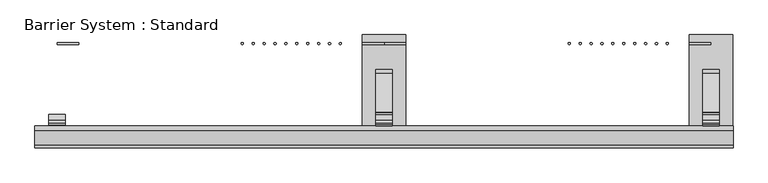
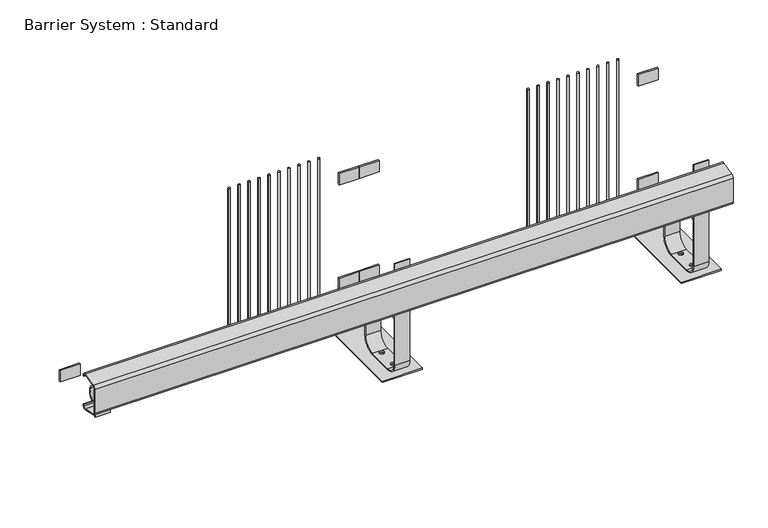
"""IFC4 building model written with IfcOpenShell, lengths in millimetres: proxy geometry, Barrier System : Standard."""

from ifc_helpers import new_model, si_unit, point, frame, frame_2d, origin, origin_with_axes, place, context, project, spatial, polyline, circle_curve, trimmed, segment, composite_curve, outline, extrude, source, transform, mapped, element, save
from ifc_brep_helpers import plane_surface, cylinder_surface, revolved_surface, advanced_brep


def barrier_system_standard_e04e2c11(model_context):
    return source(origin(), model_context, "Body", "SolidModel", [
        extrude(outline(composite_curve([segment(polyline([(-468.6380344, 563.8404914), (-398.6380344, 581.3404914)]), True, "CONTINUOUS"), segment(trimmed(circle_curve(frame_2d((-395.0, 566.7883539)), 15.0), [point((-398.6380344, 581.3404914))], [point((-380.0, 566.7883539))], False, "CARTESIAN"), True, "CONTINUOUS"), segment(polyline([(-380.0, 566.7883539), (-380.0, 561.0), (-385.0, 561.0), (-385.0, 566.7883539)]), True, "CONTINUOUS"), segment(trimmed(circle_curve(frame_2d((-395.0, 566.7883539)), 10.0), [point((-385.0, 566.7883539))], [point((-397.4253563, 576.4897789))], True, "CARTESIAN"), True, "CONTINUOUS"), segment(polyline([(-397.4253563, 576.4897789), (-467.4253563, 558.9897789)]), True, "CONTINUOUS"), segment(trimmed(circle_curve(frame_2d((-465.0, 549.2883539)), 10.0), [point((-467.4253563, 558.9897789))], [point((-475.0, 549.2883539))], True, "CARTESIAN"), True, "CONTINUOUS"), segment(polyline([(-475.0, 549.2883539), (-475.0, 422.7116461)]), True, "CONTINUOUS"), segment(trimmed(circle_curve(frame_2d((-465.0, 422.7116461)), 10.0), [point((-475.0, 422.7116461))], [point((-467.4253563, 413.0102211))], True, "CARTESIAN"), True, "CONTINUOUS"), segment(polyline([(-467.4253563, 413.0102211), (-397.4253563, 395.5102211)]), True, "CONTINUOUS"), segment(trimmed(circle_curve(frame_2d((-395.0, 405.2116461)), 10.0), [point((-397.4253563, 395.5102211))], [point((-385.0, 405.2116461))], True, "CARTESIAN"), True, "CONTINUOUS"), segment(polyline([(-385.0, 405.2116461), (-385.0, 411.0), (-380.0, 411.0), (-380.0, 405.2116461)]), True, "CONTINUOUS"), segment(trimmed(circle_curve(frame_2d((-395.0, 405.2116461)), 15.0), [point((-380.0, 405.2116461))], [point((-398.6380344, 390.6595086))], False, "CARTESIAN"), True, "CONTINUOUS"), segment(polyline([(-398.6380344, 390.6595086), (-468.6380344, 408.1595086)]), True, "CONTINUOUS"), segment(trimmed(circle_curve(frame_2d((-465.0, 422.7116461)), 15.0), [point((-468.6380344, 408.1595086))], [point((-480.0, 422.7116461))], False, "CARTESIAN"), True, "CONTINUOUS"), segment(polyline([(-480.0, 422.7116461), (-480.0, 549.2883539)]), True, "CONTINUOUS"), segment(trimmed(circle_curve(frame_2d((-465.0, 549.2883539)), 15.0), [point((-480.0, 549.2883539))], [point((-468.6380344, 563.8404914))], False, "CARTESIAN"), True, "CONTINUOUS")], self_intersect=False)), frame((-101.5, 0.0, 0.0), z_axis=(1.0, 0.0, 0.0), x_axis=(0.0, 1.0, 0.0)), (0.0, 0.0, 1.0), 3203.0),
        extrude(outline(composite_curve([segment(trimmed(circle_curve(frame_2d((2800.0, 0.0)), 5.0), [point((2805.0, 0.0))], [point((2795.0, 0.0))], False, "CARTESIAN"), True, "CONTINUOUS"), segment(trimmed(circle_curve(frame_2d((2800.0, 0.0)), 5.0), [point((2795.0, 0.0))], [point((2805.0, 0.0))], False, "CARTESIAN"), True, "CONTINUOUS")], self_intersect=False)), frame((0.0, 0.0, 150.0), z_axis=(0.0, 0.0, 1.0), x_axis=(1.0, 0.0, 0.0)), (0.0, 0.0, 1.0), 845.0),
        extrude(outline(composite_curve([segment(trimmed(circle_curve(frame_2d((2750.0, 0.0)), 5.0), [point((2755.0, 0.0))], [point((2745.0, 0.0))], False, "CARTESIAN"), True, "CONTINUOUS"), segment(trimmed(circle_curve(frame_2d((2750.0, 0.0)), 5.0), [point((2745.0, 0.0))], [point((2755.0, 0.0))], False, "CARTESIAN"), True, "CONTINUOUS")], self_intersect=False)), frame((0.0, 0.0, 150.0), z_axis=(0.0, 0.0, 1.0), x_axis=(1.0, 0.0, 0.0)), (0.0, 0.0, 1.0), 845.0),
        extrude(outline(composite_curve([segment(trimmed(circle_curve(frame_2d((2700.0, 0.0)), 5.0), [point((2705.0, 0.0))], [point((2695.0, 0.0))], False, "CARTESIAN"), True, "CONTINUOUS"), segment(trimmed(circle_curve(frame_2d((2700.0, 0.0)), 5.0), [point((2695.0, 0.0))], [point((2705.0, 0.0))], False, "CARTESIAN"), True, "CONTINUOUS")], self_intersect=False)), frame((0.0, 0.0, 150.0), z_axis=(0.0, 0.0, 1.0), x_axis=(1.0, 0.0, 0.0)), (0.0, 0.0, 1.0), 845.0),
        extrude(outline(composite_curve([segment(trimmed(circle_curve(frame_2d((2650.0, 0.0)), 5.0), [point((2655.0, 0.0))], [point((2645.0, 0.0))], False, "CARTESIAN"), True, "CONTINUOUS"), segment(trimmed(circle_curve(frame_2d((2650.0, 0.0)), 5.0), [point((2645.0, 0.0))], [point((2655.0, 0.0))], False, "CARTESIAN"), True, "CONTINUOUS")], self_intersect=False)), frame((0.0, 0.0, 150.0), z_axis=(0.0, 0.0, 1.0), x_axis=(1.0, 0.0, 0.0)), (0.0, 0.0, 1.0), 845.0),
        extrude(outline(composite_curve([segment(trimmed(circle_curve(frame_2d((2600.0, 0.0)), 5.0), [point((2605.0, 0.0))], [point((2595.0, 0.0))], False, "CARTESIAN"), True, "CONTINUOUS"), segment(trimmed(circle_curve(frame_2d((2600.0, 0.0)), 5.0), [point((2595.0, 0.0))], [point((2605.0, 0.0))], False, "CARTESIAN"), True, "CONTINUOUS")], self_intersect=False)), frame((0.0, 0.0, 150.0), z_axis=(0.0, 0.0, 1.0), x_axis=(1.0, 0.0, 0.0)), (0.0, 0.0, 1.0), 845.0),
        extrude(outline(composite_curve([segment(trimmed(circle_curve(frame_2d((2550.0, 0.0)), 5.0), [point((2555.0, 0.0))], [point((2545.0, 0.0))], False, "CARTESIAN"), True, "CONTINUOUS"), segment(trimmed(circle_curve(frame_2d((2550.0, 0.0)), 5.0), [point((2545.0, 0.0))], [point((2555.0, 0.0))], False, "CARTESIAN"), True, "CONTINUOUS")], self_intersect=False)), frame((0.0, 0.0, 150.0), z_axis=(0.0, 0.0, 1.0), x_axis=(1.0, 0.0, 0.0)), (0.0, 0.0, 1.0), 845.0),
        extrude(outline(composite_curve([segment(trimmed(circle_curve(frame_2d((1300.0, 0.0)), 5.0), [point((1305.0, 0.0))], [point((1295.0, 0.0))], False, "CARTESIAN"), True, "CONTINUOUS"), segment(trimmed(circle_curve(frame_2d((1300.0, 0.0)), 5.0), [point((1295.0, 0.0))], [point((1305.0, 0.0))], False, "CARTESIAN"), True, "CONTINUOUS")], self_intersect=False)), frame((0.0, 0.0, 150.0), z_axis=(0.0, 0.0, 1.0), x_axis=(1.0, 0.0, 0.0)), (0.0, 0.0, 1.0), 845.0),
        extrude(outline(composite_curve([segment(trimmed(circle_curve(frame_2d((1250.0, 0.0)), 5.0), [point((1255.0, 0.0))], [point((1245.0, 0.0))], False, "CARTESIAN"), True, "CONTINUOUS"), segment(trimmed(circle_curve(frame_2d((1250.0, 0.0)), 5.0), [point((1245.0, 0.0))], [point((1255.0, 0.0))], False, "CARTESIAN"), True, "CONTINUOUS")], self_intersect=False)), frame((0.0, 0.0, 150.0), z_axis=(0.0, 0.0, 1.0), x_axis=(1.0, 0.0, 0.0)), (0.0, 0.0, 1.0), 845.0),
        extrude(outline(composite_curve([segment(trimmed(circle_curve(frame_2d((1200.0, 0.0)), 5.0), [point((1205.0, 0.0))], [point((1195.0, 0.0))], False, "CARTESIAN"), True, "CONTINUOUS"), segment(trimmed(circle_curve(frame_2d((1200.0, 0.0)), 5.0), [point((1195.0, 0.0))], [point((1205.0, 0.0))], False, "CARTESIAN"), True, "CONTINUOUS")], self_intersect=False)), frame((0.0, 0.0, 150.0), z_axis=(0.0, 0.0, 1.0), x_axis=(1.0, 0.0, 0.0)), (0.0, 0.0, 1.0), 845.0),
        extrude(outline(composite_curve([segment(trimmed(circle_curve(frame_2d((1150.0, 0.0)), 5.0), [point((1155.0, 0.0))], [point((1145.0, 0.0))], False, "CARTESIAN"), True, "CONTINUOUS"), segment(trimmed(circle_curve(frame_2d((1150.0, 0.0)), 5.0), [point((1145.0, 0.0))], [point((1155.0, 0.0))], False, "CARTESIAN"), True, "CONTINUOUS")], self_intersect=False)), frame((0.0, 0.0, 150.0), z_axis=(0.0, 0.0, 1.0), x_axis=(1.0, 0.0, 0.0)), (0.0, 0.0, 1.0), 845.0),
        extrude(outline(composite_curve([segment(trimmed(circle_curve(frame_2d((1100.0, 0.0)), 5.0), [point((1105.0, 0.0))], [point((1095.0, 0.0))], False, "CARTESIAN"), True, "CONTINUOUS"), segment(trimmed(circle_curve(frame_2d((1100.0, 0.0)), 5.0), [point((1095.0, 0.0))], [point((1105.0, 0.0))], False, "CARTESIAN"), True, "CONTINUOUS")], self_intersect=False)), frame((0.0, 0.0, 150.0), z_axis=(0.0, 0.0, 1.0), x_axis=(1.0, 0.0, 0.0)), (0.0, 0.0, 1.0), 845.0),
        extrude(outline(composite_curve([segment(trimmed(circle_curve(frame_2d((1050.0, 0.0)), 5.0), [point((1055.0, 0.0))], [point((1045.0, 0.0))], False, "CARTESIAN"), True, "CONTINUOUS"), segment(trimmed(circle_curve(frame_2d((1050.0, 0.0)), 5.0), [point((1045.0, 0.0))], [point((1055.0, 0.0))], False, "CARTESIAN"), True, "CONTINUOUS")], self_intersect=False)), frame((0.0, 0.0, 150.0), z_axis=(0.0, 0.0, 1.0), x_axis=(1.0, 0.0, 0.0)), (0.0, 0.0, 1.0), 845.0),
        extrude(outline(composite_curve([segment(trimmed(circle_curve(frame_2d((2500.0, 0.0)), 5.0), [point((2505.0, 0.0))], [point((2495.0, 0.0))], False, "CARTESIAN"), True, "CONTINUOUS"), segment(trimmed(circle_curve(frame_2d((2500.0, 0.0)), 5.0), [point((2495.0, 0.0))], [point((2505.0, 0.0))], False, "CARTESIAN"), True, "CONTINUOUS")], self_intersect=False)), frame((0.0, 0.0, 150.0), z_axis=(0.0, 0.0, 1.0), x_axis=(1.0, 0.0, 0.0)), (0.0, 0.0, 1.0), 845.0),
        extrude(outline(composite_curve([segment(trimmed(circle_curve(frame_2d((2450.0, 0.0)), 5.0), [point((2455.0, 0.0))], [point((2445.0, 0.0))], False, "CARTESIAN"), True, "CONTINUOUS"), segment(trimmed(circle_curve(frame_2d((2450.0, 0.0)), 5.0), [point((2445.0, 0.0))], [point((2455.0, 0.0))], False, "CARTESIAN"), True, "CONTINUOUS")], self_intersect=False)), frame((0.0, 0.0, 150.0), z_axis=(0.0, 0.0, 1.0), x_axis=(1.0, 0.0, 0.0)), (0.0, 0.0, 1.0), 845.0),
        extrude(outline(composite_curve([segment(trimmed(circle_curve(frame_2d((2400.0, 0.0)), 5.0), [point((2405.0, 0.0))], [point((2395.0, 0.0))], False, "CARTESIAN"), True, "CONTINUOUS"), segment(trimmed(circle_curve(frame_2d((2400.0, 0.0)), 5.0), [point((2395.0, 0.0))], [point((2405.0, 0.0))], False, "CARTESIAN"), True, "CONTINUOUS")], self_intersect=False)), frame((0.0, 0.0, 150.0), z_axis=(0.0, 0.0, 1.0), x_axis=(1.0, 0.0, 0.0)), (0.0, 0.0, 1.0), 845.0),
        extrude(outline(composite_curve([segment(trimmed(circle_curve(frame_2d((2350.0, 0.0)), 5.0), [point((2355.0, 0.0))], [point((2345.0, 0.0))], False, "CARTESIAN"), True, "CONTINUOUS"), segment(trimmed(circle_curve(frame_2d((2350.0, 0.0)), 5.0), [point((2345.0, 0.0))], [point((2355.0, 0.0))], False, "CARTESIAN"), True, "CONTINUOUS")], self_intersect=False)), frame((0.0, 0.0, 150.0), z_axis=(0.0, 0.0, 1.0), x_axis=(1.0, 0.0, 0.0)), (0.0, 0.0, 1.0), 845.0),
        extrude(outline(composite_curve([segment(trimmed(circle_curve(frame_2d((1000.0, 0.0)), 5.0), [point((1005.0, 0.0))], [point((995.0, 0.0))], False, "CARTESIAN"), True, "CONTINUOUS"), segment(trimmed(circle_curve(frame_2d((1000.0, 0.0)), 5.0), [point((995.0, 0.0))], [point((1005.0, 0.0))], False, "CARTESIAN"), True, "CONTINUOUS")], self_intersect=False)), frame((0.0, 0.0, 150.0), z_axis=(0.0, 0.0, 1.0), x_axis=(1.0, 0.0, 0.0)), (0.0, 0.0, 1.0), 845.0),
        extrude(outline(composite_curve([segment(trimmed(circle_curve(frame_2d((950.0, 0.0)), 5.0), [point((955.0, 0.0))], [point((945.0, 0.0))], False, "CARTESIAN"), True, "CONTINUOUS"), segment(trimmed(circle_curve(frame_2d((950.0, 0.0)), 5.0), [point((945.0, 0.0))], [point((955.0, 0.0))], False, "CARTESIAN"), True, "CONTINUOUS")], self_intersect=False)), frame((0.0, 0.0, 150.0), z_axis=(0.0, 0.0, 1.0), x_axis=(1.0, 0.0, 0.0)), (0.0, 0.0, 1.0), 845.0),
        extrude(outline(composite_curve([segment(trimmed(circle_curve(frame_2d((900.0, 0.0)), 5.0), [point((905.0, 0.0))], [point((895.0, 0.0))], False, "CARTESIAN"), True, "CONTINUOUS"), segment(trimmed(circle_curve(frame_2d((900.0, 0.0)), 5.0), [point((895.0, 0.0))], [point((905.0, 0.0))], False, "CARTESIAN"), True, "CONTINUOUS")], self_intersect=False)), frame((0.0, 0.0, 150.0), z_axis=(0.0, 0.0, 1.0), x_axis=(1.0, 0.0, 0.0)), (0.0, 0.0, 1.0), 845.0),
        extrude(outline(composite_curve([segment(trimmed(circle_curve(frame_2d((850.0, 0.0)), 5.0), [point((855.0, 0.0))], [point((845.0, 0.0))], False, "CARTESIAN"), True, "CONTINUOUS"), segment(trimmed(circle_curve(frame_2d((850.0, 0.0)), 5.0), [point((845.0, 0.0))], [point((855.0, 0.0))], False, "CARTESIAN"), True, "CONTINUOUS")], self_intersect=False)), frame((0.0, 0.0, 150.0), z_axis=(0.0, 0.0, 1.0), x_axis=(1.0, 0.0, 0.0)), (0.0, 0.0, 1.0), 845.0),
        extrude(outline(polyline([(3000.0, 4.0), (3000.0, -4.0), (2900.0, -4.0), (2900.0, 4.0), (3000.0, 4.0)])), frame((0.0, 0.0, 264.7058824), z_axis=(0.0, 0.0, 1.0), x_axis=(1.0, 0.0, 0.0)), (0.0, 0.0, 1.0), 60.0),
        extrude(outline(polyline([(3000.0, 4.0), (3000.0, -4.0), (2900.0, -4.0), (2900.0, 4.0), (3000.0, 4.0)])), frame((0.0, 0.0, 820.2941176), z_axis=(0.0, 0.0, 1.0), x_axis=(1.0, 0.0, 0.0)), (0.0, 0.0, 1.0), 60.0),
        extrude(outline(polyline([(1500.0, 4.0), (1500.0, -4.0), (1400.0, -4.0), (1400.0, 4.0), (1500.0, 4.0)])), frame((0.0, 0.0, 264.7058824), z_axis=(0.0, 0.0, 1.0), x_axis=(1.0, 0.0, 0.0)), (0.0, 0.0, 1.0), 60.0),
        extrude(outline(polyline([(1500.0, 4.0), (1500.0, -4.0), (1400.0, -4.0), (1400.0, 4.0), (1500.0, 4.0)])), frame((0.0, 0.0, 820.2941176), z_axis=(0.0, 0.0, 1.0), x_axis=(1.0, 0.0, 0.0)), (0.0, 0.0, 1.0), 60.0),
        extrude(outline(polyline([(1600.0, 4.0), (1600.0, -4.0), (1500.0, -4.0), (1500.0, 4.0), (1600.0, 4.0)])), frame((0.0, 0.0, 264.7058824), z_axis=(0.0, 0.0, 1.0), x_axis=(1.0, 0.0, 0.0)), (0.0, 0.0, 1.0), 60.0),
        extrude(outline(polyline([(100.0, 4.0), (100.0, -4.0), (0.0, -4.0), (0.0, 4.0), (100.0, 4.0)])), frame((0.0, 0.0, 264.7058824), z_axis=(0.0, 0.0, 1.0), x_axis=(1.0, 0.0, 0.0)), (0.0, 0.0, 1.0), 60.0),
        extrude(outline(polyline([(1600.0, 4.0), (1600.0, -4.0), (1500.0, -4.0), (1500.0, 4.0), (1600.0, 4.0)])), frame((0.0, 0.0, 820.2941176), z_axis=(0.0, 0.0, 1.0), x_axis=(1.0, 0.0, 0.0)), (0.0, 0.0, 1.0), 60.0),
        extrude(outline(composite_curve([segment(polyline([(-374.0, 537.5507325), (-368.0, 537.5507325), (-368.0, 492.5507325)]), True, "CONTINUOUS"), segment(trimmed(circle_curve(frame_2d((-344.0, 492.5507325)), 24.0), [point((-368.0, 492.5507325))], [point((-353.8630137, 470.6710396))], True, "CARTESIAN"), True, "CONTINUOUS"), segment(trimmed(circle_curve(frame_2d((-374.0, 426.0)), 49.0), [point((-353.8630137, 470.6710396))], [point((-353.8630137, 381.3289604))], False, "CARTESIAN"), True, "CONTINUOUS"), segment(trimmed(circle_curve(frame_2d((-344.0, 359.4492675)), 24.0), [point((-353.8630137, 381.3289604))], [point((-368.0, 359.4492675))], True, "CARTESIAN"), True, "CONTINUOUS"), segment(polyline([(-368.0, 359.4492675), (-368.0, 314.4492675), (-374.0, 314.4492675), (-374.0, 359.4492675)]), True, "CONTINUOUS"), segment(trimmed(circle_curve(frame_2d((-344.0, 359.4492675)), 30.0), [point((-374.0, 359.4492675))], [point((-356.3287671, 386.7988836))], False, "CARTESIAN"), True, "CONTINUOUS"), segment(trimmed(circle_curve(frame_2d((-374.0, 426.0)), 43.0), [point((-356.3287671, 386.7988836))], [point((-356.3287671, 465.2011164))], True, "CARTESIAN"), True, "CONTINUOUS"), segment(trimmed(circle_curve(frame_2d((-344.0, 492.5507325)), 30.0), [point((-356.3287671, 465.2011164))], [point((-374.0, 492.5507325))], False, "CARTESIAN"), True, "CONTINUOUS"), segment(polyline([(-374.0, 492.5507325), (-374.0, 537.5507325)]), True, "CONTINUOUS")], self_intersect=False)), frame((2962.0, 0.0, 0.0), z_axis=(1.0, 0.0, 0.0), x_axis=(0.0, 1.0, 0.0)), (0.0, 0.0, 1.0), 76.0),
        advanced_brep(
        [(3038.0, -374.0, 606.0), (2962.0, -374.0, 606.0), (2962.0, -380.0, 606.0), (3038.0, -380.0, 606.0), (3038.0, -374.0, 69.0), (2962.0, -374.0, 69.0), (2962.0, -320.0, 15.0), (2962.0, -185.0, 15.0), (2962.0, -126.0, 74.0), (2962.0, -126.0, 135.2893219), (2962.0, -138.8873016, 166.4020203), (2962.0, -319.8492424, 347.363961), (2962.0, -326.0, 362.2132034), (2962.0, -326.0, 496.0), (2962.0, -320.0, 496.0), (2962.0, -320.0, 362.2132034), (2962.0, -315.6066017, 351.6066017), (2962.0, -134.6446609, 170.6446609), (2962.0, -120.0, 135.2893219), (2962.0, -120.0, 74.0), (2962.0, -185.0, 9.0), (2962.0, -320.0, 9.0), (2962.0, -380.0, 69.0), (3038.0, -380.0, 69.0), (3038.0, -320.0, 9.0), (3038.0, -185.0, 9.0), (3038.0, -120.0, 74.0), (3038.0, -120.0, 135.2893219), (3038.0, -134.6446609, 170.6446609), (3038.0, -315.6066017, 351.6066017), (3038.0, -320.0, 362.2132034), (3038.0, -320.0, 496.0), (3038.0, -326.0, 496.0), (3038.0, -326.0, 362.2132034), (3038.0, -319.8492424, 347.363961), (3038.0, -138.8873016, 166.4020203), (3038.0, -126.0, 135.2893219), (3038.0, -126.0, 74.0), (3038.0, -185.0, 15.0), (3038.0, -320.0, 15.0), (3012.0, -300.0, 15.0), (2988.0, -300.0, 15.0), (3012.0, -200.0, 15.0), (2988.0, -200.0, 15.0), (2988.0, -300.0, 9.0), (3012.0, -300.0, 9.0), (2988.0, -200.0, 9.0), (3012.0, -200.0, 9.0)],
        [
            (0, 1),
            (1, 2),
            (2, 3),
            (3, 0),
            (0, 4),
            (4, 5),
            (5, 1),
            (5, 6, circle_curve(frame((2962.0, -320.0, 69.0), z_axis=(1.0, 0.0, 0.0), x_axis=(0.0, -1.0, 0.0)), 54.0)),
            (6, 7),
            (7, 8, circle_curve(frame((2962.0, -185.0, 74.0), z_axis=(1.0, 0.0, 0.0), x_axis=(0.0, 0.0, -1.0)), 59.0)),
            (8, 9),
            (9, 10, circle_curve(frame((2962.0, -170.0, 135.2893219), z_axis=(1.0, 0.0, 0.0), x_axis=(0.0, 1.0, 0.0)), 44.0)),
            (10, 11),
            (11, 12, circle_curve(frame((2962.0, -305.0, 362.2132034), z_axis=(-1.0, 0.0, 0.0), x_axis=(0.0, -0.7071067811865497, -0.7071067811865455)), 21.0)),
            (12, 13),
            (13, 14),
            (14, 15),
            (15, 16, circle_curve(frame((2962.0, -305.0, 362.2132034), z_axis=(1.0, 0.0, 0.0), x_axis=(0.0, -0.7071067811865497, -0.7071067811865455)), 15.0)),
            (16, 17),
            (17, 18, circle_curve(frame((2962.0, -170.0, 135.2893219), z_axis=(-1.0, 0.0, 0.0), x_axis=(0.0, 1.0, 0.0)), 50.0)),
            (18, 19),
            (19, 20, circle_curve(frame((2962.0, -185.0, 74.0), z_axis=(-1.0, 0.0, 0.0), x_axis=(0.0, 0.0, -1.0)), 65.0)),
            (20, 21),
            (21, 22, circle_curve(frame((2962.0, -320.0, 69.0), z_axis=(-1.0, 0.0, 0.0), x_axis=(0.0, -1.0, 0.0)), 60.0)),
            (22, 2),
            (22, 23),
            (23, 3),
            (23, 24, circle_curve(frame((3038.0, -320.0, 69.0), z_axis=(1.0, 0.0, 0.0), x_axis=(0.0, -1.0, 0.0)), 60.0)),
            (24, 25),
            (25, 26, circle_curve(frame((3038.0, -185.0, 74.0), z_axis=(1.0, 0.0, 0.0), x_axis=(0.0, 0.0, -1.0)), 65.0)),
            (26, 27),
            (27, 28, circle_curve(frame((3038.0, -170.0, 135.2893219), z_axis=(1.0, 0.0, 0.0), x_axis=(0.0, 1.0, 0.0)), 50.0)),
            (28, 29),
            (29, 30, circle_curve(frame((3038.0, -305.0, 362.2132034), z_axis=(-1.0, 0.0, 0.0), x_axis=(0.0, -0.7071067811865497, -0.7071067811865455)), 15.0)),
            (30, 31),
            (31, 32),
            (32, 33),
            (33, 34, circle_curve(frame((3038.0, -305.0, 362.2132034), z_axis=(1.0, 0.0, 0.0), x_axis=(0.0, -0.7071067811865497, -0.7071067811865455)), 21.0)),
            (34, 35),
            (35, 36, circle_curve(frame((3038.0, -170.0, 135.2893219), z_axis=(-1.0, 0.0, 0.0), x_axis=(0.0, 1.0, 0.0)), 44.0)),
            (36, 37),
            (37, 38, circle_curve(frame((3038.0, -185.0, 74.0), z_axis=(-1.0, 0.0, 0.0), x_axis=(0.0, 0.0, -1.0)), 59.0)),
            (38, 39),
            (39, 4, circle_curve(frame((3038.0, -320.0, 69.0), z_axis=(-1.0, 0.0, 0.0), x_axis=(0.0, -1.0, 0.0)), 54.0)),
            (39, 6),
            (21, 24),
            (38, 7),
            (40, 41, circle_curve(frame((3000.0, -300.0, 15.0), z_axis=(0.0, 0.0, -1.0), x_axis=(1.0, 0.0, 0.0)), 12.0)),
            (41, 40, circle_curve(frame((3000.0, -300.0, 15.0), z_axis=(0.0, 0.0, -1.0), x_axis=(1.0, 0.0, 0.0)), 12.0)),
            (42, 43, circle_curve(frame((3000.0, -200.0, 15.0), z_axis=(0.0, 0.0, -1.0), x_axis=(1.0, 0.0, 0.0)), 12.0)),
            (43, 42, circle_curve(frame((3000.0, -200.0, 15.0), z_axis=(0.0, 0.0, -1.0), x_axis=(1.0, 0.0, 0.0)), 12.0)),
            (20, 25),
            (44, 45, circle_curve(frame((3000.0, -300.0, 9.0), z_axis=(0.0, 0.0, 1.0), x_axis=(1.0, 0.0, 0.0)), 12.0)),
            (45, 44, circle_curve(frame((3000.0, -300.0, 9.0), z_axis=(0.0, 0.0, 1.0), x_axis=(1.0, 0.0, 0.0)), 12.0)),
            (46, 47, circle_curve(frame((3000.0, -200.0, 9.0), z_axis=(0.0, 0.0, 1.0), x_axis=(1.0, 0.0, 0.0)), 12.0)),
            (47, 46, circle_curve(frame((3000.0, -200.0, 9.0), z_axis=(0.0, 0.0, 1.0), x_axis=(1.0, 0.0, 0.0)), 12.0)),
            (37, 8),
            (19, 26),
            (36, 9),
            (18, 27),
            (35, 10),
            (17, 28),
            (34, 11),
            (16, 29),
            (33, 12),
            (15, 30),
            (13, 32),
            (31, 14),
            (40, 45),
            (44, 41),
            (42, 47),
            (46, 43),
        ],
        [
            plane_surface(frame((3000.0, -380.0, 606.0), z_axis=(0.0, 0.0, 1.0), x_axis=(1.0, 0.0, 0.0))),
            plane_surface(frame((3038.0, -374.0, 606.0), z_axis=(0.0, 1.0, 0.0), x_axis=(0.0, 0.0, -1.0))),
            plane_surface(frame((2962.0, -374.0, 606.0), z_axis=(-1.0, 0.0, 0.0), x_axis=(0.0, 0.0, -1.0))),
            plane_surface(frame((2962.0, -380.0, 606.0), z_axis=(0.0, -1.0, 0.0), x_axis=(0.0, 0.0, -1.0))),
            plane_surface(frame((3038.0, -380.0, 606.0), z_axis=(1.0, 0.0, 0.0), x_axis=(0.0, 0.0, -1.0))),
            revolved_surface(polyline([(3038.0, -374.0, 69.0), (2962.0, -374.0, 69.0)]), (3000.0, -320.0, 69.0), (1.0, 0.0, 0.0)),
            cylinder_surface(frame((3000.0, -320.0, 69.0), z_axis=(1.0, 0.0, 0.0), x_axis=(0.0, -1.0, 0.0)), 60.0),
            plane_surface(frame((3038.0, -320.0, 15.0), z_axis=(0.0, 0.0, 1.0), x_axis=(0.0, 1.0, 0.0))),
            plane_surface(frame((2962.0, -320.0, 9.0), z_axis=(0.0, 0.0, -1.0), x_axis=(0.0, 1.0, 0.0))),
            revolved_surface(polyline([(3038.0, -185.0, 15.0), (2962.0, -185.0, 15.0)]), (3000.0, -185.0, 74.0), (1.0, 0.0, 0.0)),
            cylinder_surface(frame((3000.0, -185.0, 74.0), z_axis=(1.0, 0.0, 0.0), x_axis=(0.0, 0.0, -1.0)), 65.0),
            plane_surface(frame((3038.0, -126.0, 74.0), z_axis=(0.0, -1.0, 0.0), x_axis=(0.0, 0.0, 1.0))),
            plane_surface(frame((2962.0, -120.0, 74.0), z_axis=(0.0, 1.0, 0.0), x_axis=(0.0, 0.0, 1.0))),
            revolved_surface(polyline([(3038.0, -126.0, 135.2893219), (2962.0, -126.0, 135.2893219)]), (3000.0, -170.0, 135.2893219), (1.0, 0.0, 0.0)),
            cylinder_surface(frame((3000.0, -170.0, 135.2893219), z_axis=(1.0, 0.0, 0.0), x_axis=(0.0, 1.0, 0.0)), 50.0),
            plane_surface(frame((3038.0, -138.8873016, 166.4020203), z_axis=(0.0, -0.7071067811865492, -0.7071067811865459), x_axis=(0.0, -0.7071067811865459, 0.7071067811865492))),
            plane_surface(frame((2962.0, -134.6446609, 170.6446609), z_axis=(0.0, 0.707106781186549, 0.707106781186546), x_axis=(0.0, -0.707106781186546, 0.707106781186549))),
            cylinder_surface(frame((3000.0, -305.0, 362.2132034), z_axis=(-1.0, 0.0, 0.0), x_axis=(0.0, -0.7071067811865497, -0.7071067811865455)), 21.0),
            revolved_surface(polyline([(2962.0, -315.60660171779824, 351.6066016822018), (3038.0, -315.60660171779824, 351.6066016822018)]), (3000.0, -305.0, 362.2132034), (-1.0, 0.0, 0.0)),
            plane_surface(frame((3000.0, -320.0, 496.0), z_axis=(0.0, 0.0, 1.0), x_axis=(1.0, 0.0, 0.0))),
            plane_surface(frame((3038.0, -326.0, 362.2132034), z_axis=(0.0, -1.0, 0.0), x_axis=(0.0, 0.0, 1.0))),
            plane_surface(frame((2962.0, -320.0, 362.2132034), z_axis=(0.0, 1.0, 0.0), x_axis=(0.0, 0.0, 1.0))),
            revolved_surface(polyline([(3012.0, -300.0, 15.0), (3012.0, -300.0, 9.0)]), (3000.0, -300.0, 9.0), (0.0, 0.0, 1.0)),
            revolved_surface(polyline([(3012.0, -200.0, 15.0), (3012.0, -200.0, 9.0)]), (3000.0, -200.0, 0.0), (0.0, 0.0, 1.0)),
        ],
        [
            (0, [[1, 2, 3, 4]]),
            (1, [[-1, 5, 6, 7]]),
            (2, [[-2, -7, 8, 9, 10, 11, 12, 13, 14, 15, 16, 17, 18, 19, 20, 21, 22, 23, 24, 25]]),
            (3, [[-3, -25, 26, 27]]),
            (4, [[-4, -27, 28, 29, 30, 31, 32, 33, 34, 35, 36, 37, 38, 39, 40, 41, 42, 43, 44, -5]]),
            (5, [[-6, -44, 45, -8]]),
            (6, [[-24, 46, -28, -26]]),
            (7, [[-9, -45, -43, 47], [48, 49], [50, 51]]),
            (8, [[-23, 52, -29, -46], [53, 54], [55, 56]]),
            (9, [[-10, -47, -42, 57]]),
            (10, [[-22, 58, -30, -52]]),
            (11, [[-11, -57, -41, 59]]),
            (12, [[-21, 60, -31, -58]]),
            (13, [[-12, -59, -40, 61]]),
            (14, [[-20, 62, -32, -60]]),
            (15, [[-13, -61, -39, 63]]),
            (16, [[-19, 64, -33, -62]]),
            (17, [[-14, -63, -38, 65]]),
            (18, [[-18, 66, -34, -64]]),
            (19, [[-16, 67, -36, 68]]),
            (20, [[-15, -65, -37, -67]]),
            (21, [[-17, -68, -35, -66]]),
            (22, [[69, -53, 70, -48]]),
            (22, [[-69, -49, -70, -54]]),
            (23, [[71, -55, 72, -50]]),
            (23, [[-71, -51, -72, -56]]),
        ],
    ),
        extrude(outline(polyline([(3100.0, 40.0), (3100.0, -380.0), (2900.0, -380.0), (2900.0, 40.0), (3100.0, 40.0)]), holes=[composite_curve([segment(trimmed(circle_curve(frame_2d((3000.0, -200.0)), 10.0), [point((2990.0, -200.0))], [point((3010.0, -200.0))], True, "CARTESIAN"), True, "CONTINUOUS"), segment(trimmed(circle_curve(frame_2d((3000.0, -200.0)), 10.0), [point((3010.0, -200.0))], [point((2990.0, -200.0))], True, "CARTESIAN"), True, "CONTINUOUS")], self_intersect=False), composite_curve([segment(trimmed(circle_curve(frame_2d((3000.0, -300.0)), 10.0), [point((2990.0, -300.0))], [point((3010.0, -300.0))], True, "CARTESIAN"), True, "CONTINUOUS"), segment(trimmed(circle_curve(frame_2d((3000.0, -300.0)), 10.0), [point((3010.0, -300.0))], [point((2990.0, -300.0))], True, "CARTESIAN"), True, "CONTINUOUS")], self_intersect=False)]), origin_with_axes(), (0.0, 0.0, 1.0), 6.0),
        extrude(outline(composite_curve([segment(polyline([(-374.0, 537.5507325), (-368.0, 537.5507325), (-368.0, 492.5507325)]), True, "CONTINUOUS"), segment(trimmed(circle_curve(frame_2d((-344.0, 492.5507325)), 24.0), [point((-368.0, 492.5507325))], [point((-353.8630137, 470.6710396))], True, "CARTESIAN"), True, "CONTINUOUS"), segment(trimmed(circle_curve(frame_2d((-374.0, 426.0)), 49.0), [point((-353.8630137, 470.6710396))], [point((-353.8630137, 381.3289604))], False, "CARTESIAN"), True, "CONTINUOUS"), segment(trimmed(circle_curve(frame_2d((-344.0, 359.4492675)), 24.0), [point((-353.8630137, 381.3289604))], [point((-368.0, 359.4492675))], True, "CARTESIAN"), True, "CONTINUOUS"), segment(polyline([(-368.0, 359.4492675), (-368.0, 314.4492675), (-374.0, 314.4492675), (-374.0, 359.4492675)]), True, "CONTINUOUS"), segment(trimmed(circle_curve(frame_2d((-344.0, 359.4492675)), 30.0), [point((-374.0, 359.4492675))], [point((-356.3287671, 386.7988836))], False, "CARTESIAN"), True, "CONTINUOUS"), segment(trimmed(circle_curve(frame_2d((-374.0, 426.0)), 43.0), [point((-356.3287671, 386.7988836))], [point((-356.3287671, 465.2011164))], True, "CARTESIAN"), True, "CONTINUOUS"), segment(trimmed(circle_curve(frame_2d((-344.0, 492.5507325)), 30.0), [point((-356.3287671, 465.2011164))], [point((-374.0, 492.5507325))], False, "CARTESIAN"), True, "CONTINUOUS"), segment(polyline([(-374.0, 492.5507325), (-374.0, 537.5507325)]), True, "CONTINUOUS")], self_intersect=False)), frame((1462.0, 0.0, 0.0), z_axis=(1.0, 0.0, 0.0), x_axis=(0.0, 1.0, 0.0)), (0.0, 0.0, 1.0), 76.0),
        advanced_brep(
        [(1538.0, -374.0, 606.0), (1462.0, -374.0, 606.0), (1462.0, -380.0, 606.0), (1538.0, -380.0, 606.0), (1538.0, -374.0, 69.0), (1462.0, -374.0, 69.0), (1462.0, -320.0, 15.0), (1462.0, -185.0, 15.0), (1462.0, -126.0, 74.0), (1462.0, -126.0, 135.2893219), (1462.0, -138.8873016, 166.4020203), (1462.0, -319.8492424, 347.363961), (1462.0, -326.0, 362.2132034), (1462.0, -326.0, 496.0), (1462.0, -320.0, 496.0), (1462.0, -320.0, 362.2132034), (1462.0, -315.6066017, 351.6066017), (1462.0, -134.6446609, 170.6446609), (1462.0, -120.0, 135.2893219), (1462.0, -120.0, 74.0), (1462.0, -185.0, 9.0), (1462.0, -320.0, 9.0), (1462.0, -380.0, 69.0), (1538.0, -380.0, 69.0), (1538.0, -320.0, 9.0), (1538.0, -185.0, 9.0), (1538.0, -120.0, 74.0), (1538.0, -120.0, 135.2893219), (1538.0, -134.6446609, 170.6446609), (1538.0, -315.6066017, 351.6066017), (1538.0, -320.0, 362.2132034), (1538.0, -320.0, 496.0), (1538.0, -326.0, 496.0), (1538.0, -326.0, 362.2132034), (1538.0, -319.8492424, 347.363961), (1538.0, -138.8873016, 166.4020203), (1538.0, -126.0, 135.2893219), (1538.0, -126.0, 74.0), (1538.0, -185.0, 15.0), (1538.0, -320.0, 15.0), (1512.0, -300.0, 15.0), (1488.0, -300.0, 15.0), (1512.0, -200.0, 15.0), (1488.0, -200.0, 15.0), (1488.0, -300.0, 9.0), (1512.0, -300.0, 9.0), (1488.0, -200.0, 9.0), (1512.0, -200.0, 9.0)],
        [
            (0, 1),
            (1, 2),
            (2, 3),
            (3, 0),
            (0, 4),
            (4, 5),
            (5, 1),
            (5, 6, circle_curve(frame((1462.0, -320.0, 69.0), z_axis=(1.0, 0.0, 0.0), x_axis=(0.0, -1.0, 0.0)), 54.0)),
            (6, 7),
            (7, 8, circle_curve(frame((1462.0, -185.0, 74.0), z_axis=(1.0, 0.0, 0.0), x_axis=(0.0, 0.0, -1.0)), 59.0)),
            (8, 9),
            (9, 10, circle_curve(frame((1462.0, -170.0, 135.2893219), z_axis=(1.0, 0.0, 0.0), x_axis=(0.0, 1.0, 0.0)), 44.0)),
            (10, 11),
            (11, 12, circle_curve(frame((1462.0, -305.0, 362.2132034), z_axis=(-1.0, 0.0, 0.0), x_axis=(0.0, -0.7071067811865497, -0.7071067811865455)), 21.0)),
            (12, 13),
            (13, 14),
            (14, 15),
            (15, 16, circle_curve(frame((1462.0, -305.0, 362.2132034), z_axis=(1.0, 0.0, 0.0), x_axis=(0.0, -0.7071067811865497, -0.7071067811865455)), 15.0)),
            (16, 17),
            (17, 18, circle_curve(frame((1462.0, -170.0, 135.2893219), z_axis=(-1.0, 0.0, 0.0), x_axis=(0.0, 1.0, 0.0)), 50.0)),
            (18, 19),
            (19, 20, circle_curve(frame((1462.0, -185.0, 74.0), z_axis=(-1.0, 0.0, 0.0), x_axis=(0.0, 0.0, -1.0)), 65.0)),
            (20, 21),
            (21, 22, circle_curve(frame((1462.0, -320.0, 69.0), z_axis=(-1.0, 0.0, 0.0), x_axis=(0.0, -1.0, 0.0)), 60.0)),
            (22, 2),
            (22, 23),
            (23, 3),
            (23, 24, circle_curve(frame((1538.0, -320.0, 69.0), z_axis=(1.0, 0.0, 0.0), x_axis=(0.0, -1.0, 0.0)), 60.0)),
            (24, 25),
            (25, 26, circle_curve(frame((1538.0, -185.0, 74.0), z_axis=(1.0, 0.0, 0.0), x_axis=(0.0, 0.0, -1.0)), 65.0)),
            (26, 27),
            (27, 28, circle_curve(frame((1538.0, -170.0, 135.2893219), z_axis=(1.0, 0.0, 0.0), x_axis=(0.0, 1.0, 0.0)), 50.0)),
            (28, 29),
            (29, 30, circle_curve(frame((1538.0, -305.0, 362.2132034), z_axis=(-1.0, 0.0, 0.0), x_axis=(0.0, -0.7071067811865497, -0.7071067811865455)), 15.0)),
            (30, 31),
            (31, 32),
            (32, 33),
            (33, 34, circle_curve(frame((1538.0, -305.0, 362.2132034), z_axis=(1.0, 0.0, 0.0), x_axis=(0.0, -0.7071067811865497, -0.7071067811865455)), 21.0)),
            (34, 35),
            (35, 36, circle_curve(frame((1538.0, -170.0, 135.2893219), z_axis=(-1.0, 0.0, 0.0), x_axis=(0.0, 1.0, 0.0)), 44.0)),
            (36, 37),
            (37, 38, circle_curve(frame((1538.0, -185.0, 74.0), z_axis=(-1.0, 0.0, 0.0), x_axis=(0.0, 0.0, -1.0)), 59.0)),
            (38, 39),
            (39, 4, circle_curve(frame((1538.0, -320.0, 69.0), z_axis=(-1.0, 0.0, 0.0), x_axis=(0.0, -1.0, 0.0)), 54.0)),
            (39, 6),
            (21, 24),
            (38, 7),
            (40, 41, circle_curve(frame((1500.0, -300.0, 15.0), z_axis=(0.0, 0.0, -1.0), x_axis=(1.0, 0.0, 0.0)), 12.0)),
            (41, 40, circle_curve(frame((1500.0, -300.0, 15.0), z_axis=(0.0, 0.0, -1.0), x_axis=(1.0, 0.0, 0.0)), 12.0)),
            (42, 43, circle_curve(frame((1500.0, -200.0, 15.0), z_axis=(0.0, 0.0, -1.0), x_axis=(1.0, 0.0, 0.0)), 12.0)),
            (43, 42, circle_curve(frame((1500.0, -200.0, 15.0), z_axis=(0.0, 0.0, -1.0), x_axis=(1.0, 0.0, 0.0)), 12.0)),
            (20, 25),
            (44, 45, circle_curve(frame((1500.0, -300.0, 9.0), z_axis=(0.0, 0.0, 1.0), x_axis=(1.0, 0.0, 0.0)), 12.0)),
            (45, 44, circle_curve(frame((1500.0, -300.0, 9.0), z_axis=(0.0, 0.0, 1.0), x_axis=(1.0, 0.0, 0.0)), 12.0)),
            (46, 47, circle_curve(frame((1500.0, -200.0, 9.0), z_axis=(0.0, 0.0, 1.0), x_axis=(1.0, 0.0, 0.0)), 12.0)),
            (47, 46, circle_curve(frame((1500.0, -200.0, 9.0), z_axis=(0.0, 0.0, 1.0), x_axis=(1.0, 0.0, 0.0)), 12.0)),
            (37, 8),
            (19, 26),
            (36, 9),
            (18, 27),
            (35, 10),
            (17, 28),
            (34, 11),
            (16, 29),
            (33, 12),
            (15, 30),
            (13, 32),
            (31, 14),
            (40, 45),
            (44, 41),
            (42, 47),
            (46, 43),
        ],
        [
            plane_surface(frame((1500.0, -380.0, 606.0), z_axis=(0.0, 0.0, 1.0), x_axis=(1.0, 0.0, 0.0))),
            plane_surface(frame((1538.0, -374.0, 606.0), z_axis=(0.0, 1.0, 0.0), x_axis=(0.0, 0.0, -1.0))),
            plane_surface(frame((1462.0, -374.0, 606.0), z_axis=(-1.0, 0.0, 0.0), x_axis=(0.0, 0.0, -1.0))),
            plane_surface(frame((1462.0, -380.0, 606.0), z_axis=(0.0, -1.0, 0.0), x_axis=(0.0, 0.0, -1.0))),
            plane_surface(frame((1538.0, -380.0, 606.0), z_axis=(1.0, 0.0, 0.0), x_axis=(0.0, 0.0, -1.0))),
            revolved_surface(polyline([(1538.0, -374.0, 69.0), (1462.0, -374.0, 69.0)]), (1500.0, -320.0, 69.0), (1.0, 0.0, 0.0)),
            cylinder_surface(frame((1500.0, -320.0, 69.0), z_axis=(1.0, 0.0, 0.0), x_axis=(0.0, -1.0, 0.0)), 60.0),
            plane_surface(frame((1538.0, -320.0, 15.0), z_axis=(0.0, 0.0, 1.0), x_axis=(0.0, 1.0, 0.0))),
            plane_surface(frame((1462.0, -320.0, 9.0), z_axis=(0.0, 0.0, -1.0), x_axis=(0.0, 1.0, 0.0))),
            revolved_surface(polyline([(1538.0, -185.0, 15.0), (1462.0, -185.0, 15.0)]), (1500.0, -185.0, 74.0), (1.0, 0.0, 0.0)),
            cylinder_surface(frame((1500.0, -185.0, 74.0), z_axis=(1.0, 0.0, 0.0), x_axis=(0.0, 0.0, -1.0)), 65.0),
            plane_surface(frame((1538.0, -126.0, 74.0), z_axis=(0.0, -1.0, 0.0), x_axis=(0.0, 0.0, 1.0))),
            plane_surface(frame((1462.0, -120.0, 74.0), z_axis=(0.0, 1.0, 0.0), x_axis=(0.0, 0.0, 1.0))),
            revolved_surface(polyline([(1538.0, -126.0, 135.2893219), (1462.0, -126.0, 135.2893219)]), (1500.0, -170.0, 135.2893219), (1.0, 0.0, 0.0)),
            cylinder_surface(frame((1500.0, -170.0, 135.2893219), z_axis=(1.0, 0.0, 0.0), x_axis=(0.0, 1.0, 0.0)), 50.0),
            plane_surface(frame((1538.0, -138.8873016, 166.4020203), z_axis=(0.0, -0.7071067811865492, -0.7071067811865459), x_axis=(0.0, -0.7071067811865459, 0.7071067811865492))),
            plane_surface(frame((1462.0, -134.6446609, 170.6446609), z_axis=(0.0, 0.707106781186549, 0.707106781186546), x_axis=(0.0, -0.707106781186546, 0.707106781186549))),
            cylinder_surface(frame((1500.0, -305.0, 362.2132034), z_axis=(-1.0, 0.0, 0.0), x_axis=(0.0, -0.7071067811865497, -0.7071067811865455)), 21.0),
            revolved_surface(polyline([(1462.0, -315.60660171779824, 351.6066016822018), (1538.0, -315.60660171779824, 351.6066016822018)]), (1500.0, -305.0, 362.2132034), (-1.0, 0.0, 0.0)),
            plane_surface(frame((1500.0, -320.0, 496.0), z_axis=(0.0, 0.0, 1.0), x_axis=(1.0, 0.0, 0.0))),
            plane_surface(frame((1538.0, -326.0, 362.2132034), z_axis=(0.0, -1.0, 0.0), x_axis=(0.0, 0.0, 1.0))),
            plane_surface(frame((1462.0, -320.0, 362.2132034), z_axis=(0.0, 1.0, 0.0), x_axis=(0.0, 0.0, 1.0))),
            revolved_surface(polyline([(1512.0, -300.0, 15.0), (1512.0, -300.0, 9.0)]), (1500.0, -300.0, 9.0), (0.0, 0.0, 1.0)),
            revolved_surface(polyline([(1512.0, -200.0, 15.0), (1512.0, -200.0, 9.0)]), (1500.0, -200.0, 0.0), (0.0, 0.0, 1.0)),
        ],
        [
            (0, [[1, 2, 3, 4]]),
            (1, [[-1, 5, 6, 7]]),
            (2, [[-2, -7, 8, 9, 10, 11, 12, 13, 14, 15, 16, 17, 18, 19, 20, 21, 22, 23, 24, 25]]),
            (3, [[-3, -25, 26, 27]]),
            (4, [[-4, -27, 28, 29, 30, 31, 32, 33, 34, 35, 36, 37, 38, 39, 40, 41, 42, 43, 44, -5]]),
            (5, [[-6, -44, 45, -8]]),
            (6, [[-24, 46, -28, -26]]),
            (7, [[-9, -45, -43, 47], [48, 49], [50, 51]]),
            (8, [[-23, 52, -29, -46], [53, 54], [55, 56]]),
            (9, [[-10, -47, -42, 57]]),
            (10, [[-22, 58, -30, -52]]),
            (11, [[-11, -57, -41, 59]]),
            (12, [[-21, 60, -31, -58]]),
            (13, [[-12, -59, -40, 61]]),
            (14, [[-20, 62, -32, -60]]),
            (15, [[-13, -61, -39, 63]]),
            (16, [[-19, 64, -33, -62]]),
            (17, [[-14, -63, -38, 65]]),
            (18, [[-18, 66, -34, -64]]),
            (19, [[-16, 67, -36, 68]]),
            (20, [[-15, -65, -37, -67]]),
            (21, [[-17, -68, -35, -66]]),
            (22, [[69, -53, 70, -48]]),
            (22, [[-69, -49, -70, -54]]),
            (23, [[71, -55, 72, -50]]),
            (23, [[-71, -51, -72, -56]]),
        ],
    ),
        extrude(outline(polyline([(1600.0, 40.0), (1600.0, -380.0), (1400.0, -380.0), (1400.0, 40.0), (1600.0, 40.0)]), holes=[composite_curve([segment(trimmed(circle_curve(frame_2d((1500.0, -200.0)), 10.0), [point((1490.0, -200.0))], [point((1510.0, -200.0))], True, "CARTESIAN"), True, "CONTINUOUS"), segment(trimmed(circle_curve(frame_2d((1500.0, -200.0)), 10.0), [point((1510.0, -200.0))], [point((1490.0, -200.0))], True, "CARTESIAN"), True, "CONTINUOUS")], self_intersect=False), composite_curve([segment(trimmed(circle_curve(frame_2d((1500.0, -300.0)), 10.0), [point((1490.0, -300.0))], [point((1510.0, -300.0))], True, "CARTESIAN"), True, "CONTINUOUS"), segment(trimmed(circle_curve(frame_2d((1500.0, -300.0)), 10.0), [point((1510.0, -300.0))], [point((1490.0, -300.0))], True, "CARTESIAN"), True, "CONTINUOUS")], self_intersect=False)]), origin_with_axes(), (0.0, 0.0, 1.0), 6.0),
        extrude(outline(composite_curve([segment(polyline([(-374.0, 537.5507325), (-368.0, 537.5507325), (-368.0, 492.5507325)]), True, "CONTINUOUS"), segment(trimmed(circle_curve(frame_2d((-344.0, 492.5507325)), 24.0), [point((-368.0, 492.5507325))], [point((-353.8630137, 470.6710396))], True, "CARTESIAN"), True, "CONTINUOUS"), segment(trimmed(circle_curve(frame_2d((-374.0, 426.0)), 49.0), [point((-353.8630137, 470.6710396))], [point((-353.8630137, 381.3289604))], False, "CARTESIAN"), True, "CONTINUOUS"), segment(trimmed(circle_curve(frame_2d((-344.0, 359.4492675)), 24.0), [point((-353.8630137, 381.3289604))], [point((-368.0, 359.4492675))], True, "CARTESIAN"), True, "CONTINUOUS"), segment(polyline([(-368.0, 359.4492675), (-368.0, 314.4492675), (-374.0, 314.4492675), (-374.0, 359.4492675)]), True, "CONTINUOUS"), segment(trimmed(circle_curve(frame_2d((-344.0, 359.4492675)), 30.0), [point((-374.0, 359.4492675))], [point((-356.3287671, 386.7988836))], False, "CARTESIAN"), True, "CONTINUOUS"), segment(trimmed(circle_curve(frame_2d((-374.0, 426.0)), 43.0), [point((-356.3287671, 386.7988836))], [point((-356.3287671, 465.2011164))], True, "CARTESIAN"), True, "CONTINUOUS"), segment(trimmed(circle_curve(frame_2d((-344.0, 492.5507325)), 30.0), [point((-356.3287671, 465.2011164))], [point((-374.0, 492.5507325))], False, "CARTESIAN"), True, "CONTINUOUS"), segment(polyline([(-374.0, 492.5507325), (-374.0, 537.5507325)]), True, "CONTINUOUS")], self_intersect=False)), frame((-38.0, 0.0, 0.0), z_axis=(1.0, 0.0, 0.0), x_axis=(0.0, 1.0, 0.0)), (0.0, 0.0, 1.0), 76.0),
    ])


if __name__ == "__main__":
    model = new_model("IFC4")
    model_context = context("Model", 3, world=origin())
    ifc_project = project(units=[si_unit("LENGTHUNIT", "METRE", prefix="MILLI")], contexts=[model_context])
    site = spatial("IfcSite", under=ifc_project)
    building = spatial("IfcBuilding", under=site)
    placement = place(None, origin())
    barrier_system_standard_shape = barrier_system_standard_e04e2c11(model_context)
    element("IfcBuildingElementProxy", 1, Name="Barrier System : Standard", ObjectType="Barrier System : Standard", at=placement, inside=building, context=model_context, shape_type="MappedRepresentation", body=[
        mapped(barrier_system_standard_shape, transform((0.0, 0.0, 0.0), x_axis=(1.0, 0.0, 0.0), y_axis=(0.0, 1.0, 0.0), z_axis=(0.0, 0.0, 1.0))),
    ])
    save(model, "model.ifc")
